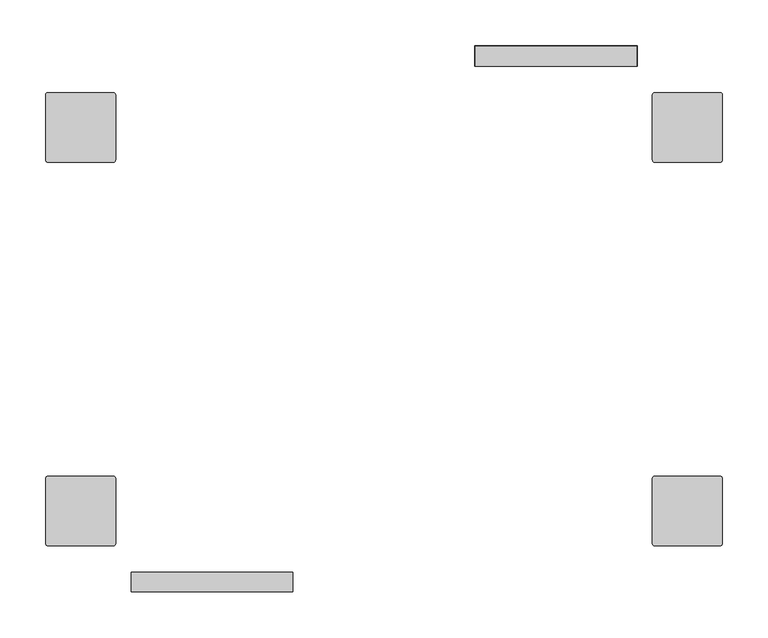
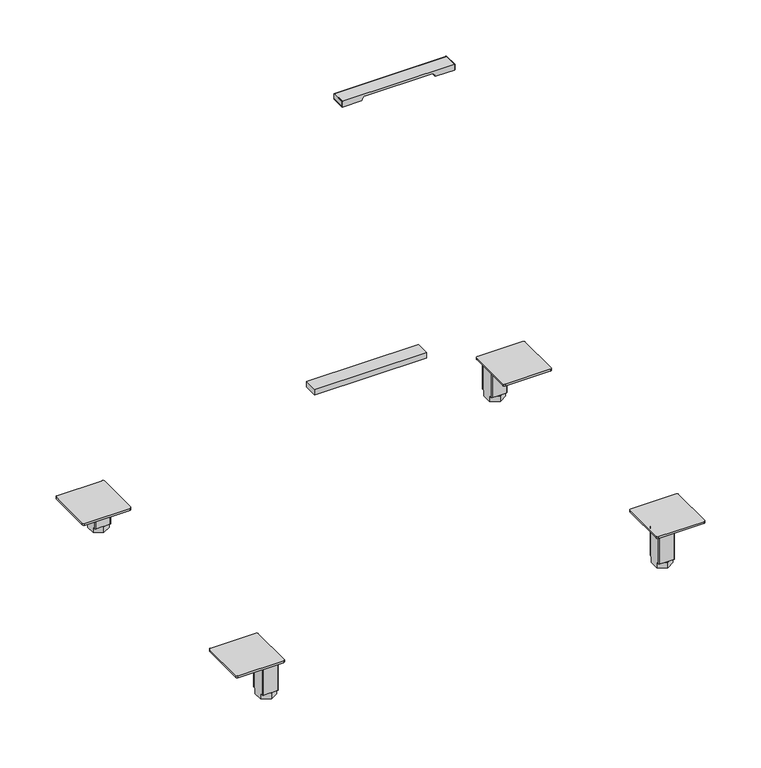
"""IFC4 building model written with IfcOpenShell, lengths in millimetres: furniture geometry."""

from ifc_helpers import new_model, si_unit, frame, origin, place, context, project, spatial, polyline, circle_curve, ellipse_curve, source, transform, mapped, element, save
from ifc_brep_helpers import plane_surface, cylinder_surface, revolved_surface, advanced_brep


def furniture_1a49b02a(model_context):
    return source(origin(), model_context, "Body", "AdvancedBrep", [
        advanced_brep(
        [(742.9422777, 247.6704748, 57.2209895), (745.4822781, 245.1304744, 57.2209895), (745.4822781, 174.0104723, 57.2209895), (742.9422805, 171.4704748, 57.2209895), (671.8222797, 171.4704748, 57.2209895), (669.2822821, 174.0104723, 57.2209895), (669.2822821, 245.1304772, 57.2209895), (671.8222797, 247.6704748, 57.2209895), (699.2542791, 241.3204808, 57.2209895), (677.410276, 241.3204808, 57.2209895), (675.632276, 239.5424808, 57.2209895), (675.632276, 217.6984687, 57.2209895), (677.410276, 215.9204687, 57.2209895), (699.2542791, 215.9204687, 57.2209895), (701.0322791, 217.6984687, 57.2209895), (701.0322791, 239.5424808, 57.2209895), (742.9422777, 247.6704748, 60.2689911), (671.8222797, 247.6704748, 60.2689911), (669.2822821, 245.1304772, 60.2689911), (669.2822821, 174.0104723, 60.2689911), (671.8222797, 171.4704748, 60.2689911), (742.9422805, 171.4704748, 60.2689911), (745.4822781, 174.0104723, 60.2689911), (745.4822781, 245.1304744, 60.2689911), (699.2542791, 241.3204808, 9.146411), (701.0322791, 239.5424808, 9.146411), (701.0322791, 235.952819, 9.146411), (691.7352161, 241.3204808, 9.146411), (701.0322791, 217.6984687, 9.146411), (699.2542791, 215.9204687, 9.146411), (691.7352161, 215.9204687, 9.146411), (701.0322791, 221.2881305, 9.146411), (677.410276, 215.9204687, 9.146411), (675.632276, 217.6984687, 9.146411), (675.632276, 221.2881305, 9.146411), (684.929339, 215.9204687, 9.146411), (675.632276, 239.5424808, 9.146411), (677.410276, 241.3204808, 9.146411), (684.929339, 241.3204808, 9.146411), (675.632276, 235.952819, 9.146411), (675.632276, 235.9528215, 0.0), (675.632276, 221.288128, 0.0), (701.0322791, 221.288128, 0.0), (701.0322791, 235.9528215, 0.0), (688.3322776, 213.9557812, 9.146411), (688.3322776, 243.2851683, 9.146411), (688.3322776, 213.9557812, 0.0), (688.3322776, 243.2851683, 0.0)],
        [
            (0, 1, circle_curve(frame((742.9422777, 245.1304744, 57.2209895), z_axis=(0.0, 0.0, -1.0), x_axis=(-1.0, 0.0, 0.0)), 2.5400004)),
            (1, 2),
            (2, 3, circle_curve(frame((742.9422805, 174.0104723, 57.2209895), z_axis=(0.0, 0.0, -1.0), x_axis=(-1.0, 0.0, 0.0)), 2.5399976)),
            (3, 4),
            (4, 5, circle_curve(frame((671.8222797, 174.0104723, 57.2209895), z_axis=(0.0, 0.0, -1.0), x_axis=(-1.0, 0.0, 0.0)), 2.5399976)),
            (5, 6),
            (6, 7, circle_curve(frame((671.8222797, 245.1304772, 57.2209895), z_axis=(0.0, 0.0, -1.0), x_axis=(-1.0, 0.0, 0.0)), 2.5399976)),
            (7, 0),
            (8, 9),
            (9, 10, circle_curve(frame((677.410276, 239.5424808, 57.2209895), z_axis=(0.0, 0.0, 1.0), x_axis=(-1.0, 0.0, 0.0)), 1.778)),
            (10, 11),
            (11, 12, circle_curve(frame((677.410276, 217.6984687, 57.2209895), z_axis=(0.0, 0.0, 1.0), x_axis=(-1.0, 0.0, 0.0)), 1.778)),
            (12, 13),
            (13, 14, circle_curve(frame((699.2542791, 217.6984687, 57.2209895), z_axis=(0.0, 0.0, 1.0), x_axis=(-1.0, 0.0, 0.0)), 1.778)),
            (14, 15),
            (15, 8, circle_curve(frame((699.2542791, 239.5424808, 57.2209895), z_axis=(0.0, 0.0, 1.0), x_axis=(-1.0, 0.0, 0.0)), 1.778)),
            (16, 17),
            (17, 18, circle_curve(frame((671.8222797, 245.1304772, 60.2689911), z_axis=(0.0, 0.0, 1.0), x_axis=(-1.0, 0.0, 0.0)), 2.5399976)),
            (18, 19),
            (19, 20, circle_curve(frame((671.8222797, 174.0104723, 60.2689911), z_axis=(0.0, 0.0, 1.0), x_axis=(-1.0, 0.0, 0.0)), 2.5399976)),
            (20, 21),
            (21, 22, circle_curve(frame((742.9422805, 174.0104723, 60.2689911), z_axis=(0.0, 0.0, 1.0), x_axis=(-1.0, 0.0, 0.0)), 2.5399976)),
            (22, 23),
            (23, 16, circle_curve(frame((742.9422777, 245.1304744, 60.2689911), z_axis=(0.0, 0.0, 1.0), x_axis=(-1.0, 0.0, 0.0)), 2.5400004)),
            (7, 17),
            (16, 0),
            (6, 18),
            (5, 19),
            (4, 20),
            (3, 21),
            (2, 22),
            (1, 23),
            (24, 25, circle_curve(frame((699.2542791, 239.5424808, 9.146411), z_axis=(0.0, 0.0, -1.0), x_axis=(-1.0, 0.0, 0.0)), 1.778)),
            (25, 26),
            (26, 27),
            (27, 24),
            (28, 29, circle_curve(frame((699.2542791, 217.6984687, 9.146411), z_axis=(0.0, 0.0, -1.0), x_axis=(-1.0, 0.0, 0.0)), 1.778)),
            (29, 30),
            (30, 31),
            (31, 28),
            (32, 33, circle_curve(frame((677.410276, 217.6984687, 9.146411), z_axis=(0.0, 0.0, -1.0), x_axis=(-1.0, 0.0, 0.0)), 1.778)),
            (33, 34),
            (34, 35),
            (35, 32),
            (36, 37, circle_curve(frame((677.410276, 239.5424808, 9.146411), z_axis=(0.0, 0.0, -1.0), x_axis=(-1.0, 0.0, 0.0)), 1.778)),
            (37, 38),
            (38, 39),
            (39, 36),
            (8, 24),
            (27, 38),
            (37, 9),
            (36, 10),
            (39, 40),
            (40, 41),
            (41, 34),
            (33, 11),
            (32, 12),
            (35, 30),
            (29, 13),
            (28, 14),
            (31, 42),
            (42, 43),
            (43, 26),
            (25, 15),
            (35, 44),
            (44, 30),
            (27, 45),
            (45, 38),
            (42, 46),
            (46, 41),
            (40, 47),
            (47, 43),
            (47, 45),
            (46, 44),
        ],
        [
            plane_surface(frame((671.8222797, 247.6704748, 57.2209895), z_axis=(0.0, 0.0, -1.0), x_axis=(1.0, 0.0, 0.0))),
            plane_surface(frame((671.8222797, 247.6704748, 60.2689911), z_axis=(0.0, 0.0, 1.0), x_axis=(-1.0, 0.0, 0.0))),
            plane_surface(frame((742.9422777, 247.6704748, 60.2689911), z_axis=(0.0, 1.0, 0.0), x_axis=(0.0, 0.0, -1.0))),
            cylinder_surface(frame((671.8222797, 245.1304772, 57.2209895), z_axis=(0.0, 0.0, 1.0), x_axis=(-1.0, 0.0, 0.0)), 2.5399976),
            plane_surface(frame((669.2822821, 245.1304772, 60.2689911), z_axis=(-1.0, 0.0, 0.0), x_axis=(0.0, 0.0, -1.0))),
            cylinder_surface(frame((671.8222797, 174.0104723, 57.2209895), z_axis=(0.0, 0.0, 1.0), x_axis=(-1.0, 0.0, 0.0)), 2.5399976),
            plane_surface(frame((671.8222797, 171.4704748, 60.2689911), z_axis=(0.0, -1.0, 0.0), x_axis=(0.0, 0.0, -1.0))),
            cylinder_surface(frame((742.9422805, 174.0104723, 57.2209895), z_axis=(0.0, 0.0, 1.0), x_axis=(-1.0, 0.0, 0.0)), 2.5399976),
            plane_surface(frame((745.4822781, 174.0104723, 60.2689911), z_axis=(1.0, 0.0, 0.0), x_axis=(0.0, 0.0, -1.0))),
            cylinder_surface(frame((742.9422777, 245.1304744, 57.2209895), z_axis=(0.0, 0.0, 1.0), x_axis=(-1.0, 0.0, 0.0)), 2.5400004),
            plane_surface(frame((677.283279, 241.3204808, 9.146411), z_axis=(0.0, 0.0, -1.0), x_axis=(1.0, 0.0, 0.0))),
            plane_surface(frame((699.2542791, 241.3204808, 57.2209895), z_axis=(0.0, 1.0, 0.0), x_axis=(0.0, 0.0, -1.0))),
            cylinder_surface(frame((677.410276, 239.5424808, 9.146411), z_axis=(0.0, 0.0, 1.0), x_axis=(-1.0, 0.0, 0.0)), 1.778),
            plane_surface(frame((675.632276, 239.5424808, 57.2209895), z_axis=(-1.0, 0.0, 0.0), x_axis=(0.0, 0.0, -1.0))),
            cylinder_surface(frame((677.410276, 217.6984687, 9.146411), z_axis=(0.0, 0.0, 1.0), x_axis=(-1.0, 0.0, 0.0)), 1.778),
            plane_surface(frame((677.410276, 215.9204687, 57.2209895), z_axis=(0.0, -1.0, 0.0), x_axis=(0.0, 0.0, -1.0))),
            cylinder_surface(frame((699.2542791, 217.6984687, 9.146411), z_axis=(0.0, 0.0, 1.0), x_axis=(-1.0, 0.0, 0.0)), 1.778),
            plane_surface(frame((701.0322791, 217.6984687, 57.2209895), z_axis=(1.0, 0.0, 0.0), x_axis=(0.0, 0.0, -1.0))),
            cylinder_surface(frame((699.2542791, 239.5424808, 9.146411), z_axis=(0.0, 0.0, 1.0), x_axis=(-1.0, 0.0, 0.0)), 1.778),
            plane_surface(frame((701.0322747, 221.288128, 9.146411), z_axis=(0.0, 0.0, 1.0), x_axis=(0.0, 1.0, 0.0))),
            plane_surface(frame((701.0322747, 221.288128, 0.0), z_axis=(0.0, 0.0, -1.0), x_axis=(0.0, -1.0, 0.0))),
            plane_surface(frame((701.0322747, 235.9528215, 9.146411), z_axis=(0.5000000000000034, 0.8660254037844367, 0.0), x_axis=(0.0, 0.0, -1.0))),
            plane_surface(frame((688.3322776, 243.2851683, 9.146411), z_axis=(-0.4999999999999956, 0.8660254037844412, 0.0), x_axis=(0.0, 0.0, -1.0))),
            plane_surface(frame((675.6322804, 221.288128, 9.146411), z_axis=(-0.5000000000000064, -0.866025403784435, 0.0), x_axis=(0.0, 0.0, -1.0))),
            plane_surface(frame((688.3322776, 213.9557812, 9.146411), z_axis=(0.49999999999999795, -0.8660254037844399, 0.0), x_axis=(0.0, 0.0, -1.0))),
        ],
        [
            (0, [[1, 2, 3, 4, 5, 6, 7, 8], [9, 10, 11, 12, 13, 14, 15, 16]]),
            (1, [[17, 18, 19, 20, 21, 22, 23, 24]]),
            (2, [[-8, 25, -17, 26]]),
            (3, [[-7, 27, -18, -25]]),
            (4, [[-6, 28, -19, -27]]),
            (5, [[-5, 29, -20, -28]]),
            (6, [[-4, 30, -21, -29]]),
            (7, [[-3, 31, -22, -30]]),
            (8, [[-2, 32, -23, -31]]),
            (9, [[-1, -26, -24, -32]]),
            (10, [[33, 34, 35, 36]]),
            (10, [[37, 38, 39, 40]]),
            (10, [[41, 42, 43, 44]]),
            (10, [[45, 46, 47, 48]]),
            (11, [[49, -36, 50, -46, 51, -9]]),
            (12, [[-45, 52, -10, -51]]),
            (13, [[-52, -48, 53, 54, 55, -42, 56, -11]]),
            (14, [[-41, 57, -12, -56]]),
            (15, [[-57, -44, 58, -38, 59, -13]]),
            (16, [[-37, 60, -14, -59]]),
            (17, [[-60, -40, 61, 62, 63, -34, 64, -15]]),
            (18, [[-33, -49, -16, -64]]),
            (19, [[65, 66, -58]]),
            (19, [[67, 68, -50]]),
            (20, [[69, 70, -54, 71, 72, -62]]),
            (21, [[-72, 73, -67, -35, -63]]),
            (22, [[-71, -53, -47, -68, -73]]),
            (23, [[-70, 74, -65, -43, -55]]),
            (24, [[-69, -61, -39, -66, -74]]),
        ],
    ),
        advanced_brep(
        [(8.8875003, 247.6704748, 57.2209895), (80.0074983, 247.6704748, 57.2209895), (82.5474959, 245.1304772, 57.2209895), (82.5474959, 174.0104723, 57.2209895), (80.0074983, 171.4704748, 57.2209895), (8.8874975, 171.4704748, 57.2209895), (6.3474999, 174.0104723, 57.2209895), (6.3474999, 245.1304744, 57.2209895), (52.5754989, 241.3204808, 57.2209895), (50.7974989, 239.5424808, 57.2209895), (50.7974989, 217.6984687, 57.2209895), (52.5754989, 215.9204687, 57.2209895), (74.419502, 215.9204687, 57.2209895), (76.197502, 217.6984687, 57.2209895), (76.197502, 239.5424808, 57.2209895), (74.419502, 241.3204808, 57.2209895), (8.8875003, 247.6704748, 60.2689911), (6.3474999, 245.1304744, 60.2689911), (6.3474999, 174.0104723, 60.2689911), (8.8874975, 171.4704748, 60.2689911), (80.0074983, 171.4704748, 60.2689911), (82.5474959, 174.0104723, 60.2689911), (82.5474959, 245.1304772, 60.2689911), (80.0074983, 247.6704748, 60.2689911), (52.5754989, 241.3204808, 9.146411), (60.0945619, 241.3204808, 9.146411), (50.7974989, 235.952819, 9.146411), (50.7974989, 239.5424808, 9.146411), (50.7974989, 217.6984687, 9.146411), (50.7974989, 221.2881305, 9.146411), (60.0945619, 215.9204687, 9.146411), (52.5754989, 215.9204687, 9.146411), (74.419502, 215.9204687, 9.146411), (66.900439, 215.9204687, 9.146411), (76.197502, 221.2881305, 9.146411), (76.197502, 217.6984687, 9.146411), (76.197502, 239.5424808, 9.146411), (76.197502, 235.952819, 9.146411), (66.900439, 241.3204808, 9.146411), (74.419502, 241.3204808, 9.146411), (76.197502, 221.288128, 0.0), (76.197502, 235.9528215, 0.0), (50.7974989, 235.9528215, 0.0), (50.7974989, 221.288128, 0.0), (63.4975005, 243.2851683, 9.146411), (63.4975005, 213.9557812, 9.146411), (63.4975005, 243.2851683, 0.0), (63.4975005, 213.9557812, 0.0)],
        [
            (0, 1),
            (1, 2, circle_curve(frame((80.0074983, 245.1304772, 57.2209895), z_axis=(0.0, 0.0, -1.0), x_axis=(1.0, 0.0, 0.0)), 2.5399976)),
            (2, 3),
            (3, 4, circle_curve(frame((80.0074983, 174.0104723, 57.2209895), z_axis=(0.0, 0.0, -1.0), x_axis=(1.0, 0.0, 0.0)), 2.5399976)),
            (4, 5),
            (5, 6, circle_curve(frame((8.8874975, 174.0104723, 57.2209895), z_axis=(0.0, 0.0, -1.0), x_axis=(1.0, 0.0, 0.0)), 2.5399976)),
            (6, 7),
            (7, 0, circle_curve(frame((8.8875003, 245.1304744, 57.2209895), z_axis=(0.0, 0.0, -1.0), x_axis=(1.0, 0.0, 0.0)), 2.5400004)),
            (8, 9, circle_curve(frame((52.5754989, 239.5424808, 57.2209895), z_axis=(0.0, 0.0, 1.0), x_axis=(1.0, 0.0, 0.0)), 1.778)),
            (9, 10),
            (10, 11, circle_curve(frame((52.5754989, 217.6984687, 57.2209895), z_axis=(0.0, 0.0, 1.0), x_axis=(1.0, 0.0, 0.0)), 1.778)),
            (11, 12),
            (12, 13, circle_curve(frame((74.419502, 217.6984687, 57.2209895), z_axis=(0.0, 0.0, 1.0), x_axis=(1.0, 0.0, 0.0)), 1.778)),
            (13, 14),
            (14, 15, circle_curve(frame((74.419502, 239.5424808, 57.2209895), z_axis=(0.0, 0.0, 1.0), x_axis=(1.0, 0.0, 0.0)), 1.778)),
            (15, 8),
            (16, 17, circle_curve(frame((8.8875003, 245.1304744, 60.2689911), z_axis=(0.0, 0.0, 1.0), x_axis=(1.0, 0.0, 0.0)), 2.5400004)),
            (17, 18),
            (18, 19, circle_curve(frame((8.8874975, 174.0104723, 60.2689911), z_axis=(0.0, 0.0, 1.0), x_axis=(1.0, 0.0, 0.0)), 2.5399976)),
            (19, 20),
            (20, 21, circle_curve(frame((80.0074983, 174.0104723, 60.2689911), z_axis=(0.0, 0.0, 1.0), x_axis=(1.0, 0.0, 0.0)), 2.5399976)),
            (21, 22),
            (22, 23, circle_curve(frame((80.0074983, 245.1304772, 60.2689911), z_axis=(0.0, 0.0, 1.0), x_axis=(1.0, 0.0, 0.0)), 2.5399976)),
            (23, 16),
            (0, 16),
            (23, 1),
            (22, 2),
            (21, 3),
            (20, 4),
            (19, 5),
            (18, 6),
            (17, 7),
            (24, 25),
            (25, 26),
            (26, 27),
            (27, 24, circle_curve(frame((52.5754989, 239.5424808, 9.146411), z_axis=(0.0, 0.0, -1.0), x_axis=(1.0, 0.0, 0.0)), 1.778)),
            (28, 29),
            (29, 30),
            (30, 31),
            (31, 28, circle_curve(frame((52.5754989, 217.6984687, 9.146411), z_axis=(0.0, 0.0, -1.0), x_axis=(1.0, 0.0, 0.0)), 1.778)),
            (32, 33),
            (33, 34),
            (34, 35),
            (35, 32, circle_curve(frame((74.419502, 217.6984687, 9.146411), z_axis=(0.0, 0.0, -1.0), x_axis=(1.0, 0.0, 0.0)), 1.778)),
            (36, 37),
            (37, 38),
            (38, 39),
            (39, 36, circle_curve(frame((74.419502, 239.5424808, 9.146411), z_axis=(0.0, 0.0, -1.0), x_axis=(1.0, 0.0, 0.0)), 1.778)),
            (15, 39),
            (38, 25),
            (24, 8),
            (14, 36),
            (13, 35),
            (34, 40),
            (40, 41),
            (41, 37),
            (12, 32),
            (11, 31),
            (30, 33),
            (10, 28),
            (9, 27),
            (26, 42),
            (42, 43),
            (43, 29),
            (38, 44),
            (44, 25),
            (30, 45),
            (45, 33),
            (42, 46),
            (46, 41),
            (40, 47),
            (47, 43),
            (44, 46),
            (45, 47),
        ],
        [
            plane_surface(frame((80.0074983, 247.6704748, 57.2209895), z_axis=(0.0, 0.0, -1.0), x_axis=(-1.0, 0.0, 0.0))),
            plane_surface(frame((80.0074983, 247.6704748, 60.2689911), z_axis=(0.0, 0.0, 1.0), x_axis=(1.0, 0.0, 0.0))),
            plane_surface(frame((8.8875003, 247.6704748, 60.2689911), z_axis=(0.0, 1.0, 0.0), x_axis=(0.0, 0.0, -1.0))),
            cylinder_surface(frame((80.0074983, 245.1304772, 57.2209895), z_axis=(0.0, 0.0, 1.0), x_axis=(1.0, 0.0, 0.0)), 2.5399976),
            plane_surface(frame((82.5474959, 245.1304772, 60.2689911), z_axis=(1.0, 0.0, 0.0), x_axis=(0.0, 0.0, -1.0))),
            cylinder_surface(frame((80.0074983, 174.0104723, 57.2209895), z_axis=(0.0, 0.0, 1.0), x_axis=(1.0, 0.0, 0.0)), 2.5399976),
            plane_surface(frame((80.0074983, 171.4704748, 60.2689911), z_axis=(0.0, -1.0, 0.0), x_axis=(0.0, 0.0, -1.0))),
            cylinder_surface(frame((8.8874975, 174.0104723, 57.2209895), z_axis=(0.0, 0.0, 1.0), x_axis=(1.0, 0.0, 0.0)), 2.5399976),
            plane_surface(frame((6.3474999, 174.0104723, 60.2689911), z_axis=(-1.0, 0.0, 0.0), x_axis=(0.0, 0.0, -1.0))),
            cylinder_surface(frame((8.8875003, 245.1304744, 57.2209895), z_axis=(0.0, 0.0, 1.0), x_axis=(1.0, 0.0, 0.0)), 2.5400004),
            plane_surface(frame((74.546499, 241.3204808, 9.146411), z_axis=(0.0, 0.0, -1.0), x_axis=(-1.0, 0.0, 0.0))),
            plane_surface(frame((52.5754989, 241.3204808, 57.2209895), z_axis=(0.0, 1.0, 0.0), x_axis=(0.0, 0.0, -1.0))),
            cylinder_surface(frame((74.419502, 239.5424808, 9.146411), z_axis=(0.0, 0.0, 1.0), x_axis=(1.0, 0.0, 0.0)), 1.778),
            plane_surface(frame((76.197502, 239.5424808, 57.2209895), z_axis=(1.0, 0.0, 0.0), x_axis=(0.0, 0.0, -1.0))),
            cylinder_surface(frame((74.419502, 217.6984687, 9.146411), z_axis=(0.0, 0.0, 1.0), x_axis=(1.0, 0.0, 0.0)), 1.778),
            plane_surface(frame((74.419502, 215.9204687, 57.2209895), z_axis=(0.0, -1.0, 0.0), x_axis=(0.0, 0.0, -1.0))),
            cylinder_surface(frame((52.5754989, 217.6984687, 9.146411), z_axis=(0.0, 0.0, 1.0), x_axis=(1.0, 0.0, 0.0)), 1.778),
            plane_surface(frame((50.7974989, 217.6984687, 57.2209895), z_axis=(-1.0, 0.0, 0.0), x_axis=(0.0, 0.0, -1.0))),
            cylinder_surface(frame((52.5754989, 239.5424808, 9.146411), z_axis=(0.0, 0.0, 1.0), x_axis=(1.0, 0.0, 0.0)), 1.778),
            plane_surface(frame((50.7975033, 221.288128, 9.146411), z_axis=(0.0, 0.0, 1.0), x_axis=(0.0, 1.0, 0.0))),
            plane_surface(frame((50.7975033, 221.288128, 0.0), z_axis=(0.0, 0.0, -1.0), x_axis=(0.0, -1.0, 0.0))),
            plane_surface(frame((50.7975033, 235.9528215, 9.146411), z_axis=(-0.5000000000000034, 0.8660254037844367, 0.0), x_axis=(0.0, 0.0, -1.0))),
            plane_surface(frame((63.4975005, 243.2851683, 9.146411), z_axis=(0.4999999999999956, 0.8660254037844412, 0.0), x_axis=(0.0, 0.0, -1.0))),
            plane_surface(frame((76.1974976, 221.288128, 9.146411), z_axis=(0.5000000000000064, -0.866025403784435, 0.0), x_axis=(0.0, 0.0, -1.0))),
            plane_surface(frame((63.4975005, 213.9557812, 9.146411), z_axis=(-0.49999999999999795, -0.8660254037844399, 0.0), x_axis=(0.0, 0.0, -1.0))),
        ],
        [
            (0, [[1, 2, 3, 4, 5, 6, 7, 8], [9, 10, 11, 12, 13, 14, 15, 16]]),
            (1, [[17, 18, 19, 20, 21, 22, 23, 24]]),
            (2, [[25, -24, 26, -1]]),
            (3, [[-26, -23, 27, -2]]),
            (4, [[-27, -22, 28, -3]]),
            (5, [[-28, -21, 29, -4]]),
            (6, [[-29, -20, 30, -5]]),
            (7, [[-30, -19, 31, -6]]),
            (8, [[-31, -18, 32, -7]]),
            (9, [[-32, -17, -25, -8]]),
            (10, [[33, 34, 35, 36]]),
            (10, [[37, 38, 39, 40]]),
            (10, [[41, 42, 43, 44]]),
            (10, [[45, 46, 47, 48]]),
            (11, [[-16, 49, -47, 50, -33, 51]]),
            (12, [[-49, -15, 52, -48]]),
            (13, [[-14, 53, -43, 54, 55, 56, -45, -52]]),
            (14, [[-53, -13, 57, -44]]),
            (15, [[-12, 58, -39, 59, -41, -57]]),
            (16, [[-58, -11, 60, -40]]),
            (17, [[-10, 61, -35, 62, 63, 64, -37, -60]]),
            (18, [[-61, -9, -51, -36]]),
            (19, [[-50, 65, 66]]),
            (19, [[-59, 67, 68]]),
            (20, [[-63, 69, 70, -55, 71, 72]]),
            (21, [[-62, -34, -66, 73, -69]]),
            (22, [[-73, -65, -46, -56, -70]]),
            (23, [[-54, -42, -68, 74, -71]]),
            (24, [[-74, -67, -38, -64, -72]]),
        ],
    ),
        advanced_brep(
        [(742.9422777, -247.6490008, 57.2209895), (671.8222797, -247.6490008, 57.2209895), (669.2822821, -245.1090032, 57.2209895), (669.2822821, -173.9889984, 57.2209895), (671.8222797, -171.4490008, 57.2209895), (742.9422805, -171.4490008, 57.2209895), (745.4822781, -173.9889984, 57.2209895), (745.4822781, -245.1090004, 57.2209895), (699.2542791, -241.2990068, 57.2209895), (701.0322791, -239.5210068, 57.2209895), (701.0322791, -217.6769947, 57.2209895), (699.2542791, -215.8989947, 57.2209895), (677.410276, -215.8989947, 57.2209895), (675.632276, -217.6769947, 57.2209895), (675.632276, -239.5210068, 57.2209895), (677.410276, -241.2990068, 57.2209895), (742.9422777, -247.6490008, 60.2689911), (745.4822781, -245.1090004, 60.2689911), (745.4822781, -173.9889984, 60.2689911), (742.9422805, -171.4490008, 60.2689911), (671.8222797, -171.4490008, 60.2689911), (669.2822821, -173.9889984, 60.2689911), (669.2822821, -245.1090032, 60.2689911), (671.8222797, -247.6490008, 60.2689911), (699.2542791, -241.2990068, 9.146411), (691.7352161, -241.2990068, 9.146411), (701.0322791, -235.931345, 9.146411), (701.0322791, -239.5210068, 9.146411), (701.0322791, -217.6769947, 9.146411), (701.0322791, -221.2666565, 9.146411), (691.7352161, -215.8989947, 9.146411), (699.2542791, -215.8989947, 9.146411), (677.410276, -215.8989947, 9.146411), (684.929339, -215.8989947, 9.146411), (675.632276, -221.2666565, 9.146411), (675.632276, -217.6769947, 9.146411), (675.632276, -239.5210068, 9.146411), (675.632276, -235.931345, 9.146411), (684.929339, -241.2990068, 9.146411), (677.410276, -241.2990068, 9.146411), (675.632276, -221.266654, 0.0), (675.632276, -235.9313476, 0.0), (701.0322791, -235.9313476, 0.0), (701.0322791, -221.266654, 0.0), (688.3322776, -243.2636943, 9.146411), (688.3322776, -213.9343072, 9.146411), (688.3322776, -243.2636943, 0.0), (688.3322776, -213.9343072, 0.0)],
        [
            (0, 1),
            (1, 2, circle_curve(frame((671.8222797, -245.1090032, 57.2209895), z_axis=(0.0, 0.0, -1.0), x_axis=(-1.0, 0.0, 0.0)), 2.5399976)),
            (2, 3),
            (3, 4, circle_curve(frame((671.8222797, -173.9889984, 57.2209895), z_axis=(0.0, 0.0, -1.0), x_axis=(-1.0, 0.0, 0.0)), 2.5399976)),
            (4, 5),
            (5, 6, circle_curve(frame((742.9422805, -173.9889984, 57.2209895), z_axis=(0.0, 0.0, -1.0), x_axis=(-1.0, 0.0, 0.0)), 2.5399976)),
            (6, 7),
            (7, 0, circle_curve(frame((742.9422777, -245.1090004, 57.2209895), z_axis=(0.0, 0.0, -1.0), x_axis=(-1.0, 0.0, 0.0)), 2.5400004)),
            (8, 9, circle_curve(frame((699.2542791, -239.5210068, 57.2209895), z_axis=(0.0, 0.0, 1.0), x_axis=(-1.0, 0.0, 0.0)), 1.778)),
            (9, 10),
            (10, 11, circle_curve(frame((699.2542791, -217.6769947, 57.2209895), z_axis=(0.0, 0.0, 1.0), x_axis=(-1.0, 0.0, 0.0)), 1.778)),
            (11, 12),
            (12, 13, circle_curve(frame((677.410276, -217.6769947, 57.2209895), z_axis=(0.0, 0.0, 1.0), x_axis=(-1.0, 0.0, 0.0)), 1.778)),
            (13, 14),
            (14, 15, circle_curve(frame((677.410276, -239.5210068, 57.2209895), z_axis=(0.0, 0.0, 1.0), x_axis=(-1.0, 0.0, 0.0)), 1.778)),
            (15, 8),
            (16, 17, circle_curve(frame((742.9422777, -245.1090004, 60.2689911), z_axis=(0.0, 0.0, 1.0), x_axis=(-1.0, 0.0, 0.0)), 2.5400004)),
            (17, 18),
            (18, 19, circle_curve(frame((742.9422805, -173.9889984, 60.2689911), z_axis=(0.0, 0.0, 1.0), x_axis=(-1.0, 0.0, 0.0)), 2.5399976)),
            (19, 20),
            (20, 21, circle_curve(frame((671.8222797, -173.9889984, 60.2689911), z_axis=(0.0, 0.0, 1.0), x_axis=(-1.0, 0.0, 0.0)), 2.5399976)),
            (21, 22),
            (22, 23, circle_curve(frame((671.8222797, -245.1090032, 60.2689911), z_axis=(0.0, 0.0, 1.0), x_axis=(-1.0, 0.0, 0.0)), 2.5399976)),
            (23, 16),
            (0, 16),
            (23, 1),
            (22, 2),
            (21, 3),
            (20, 4),
            (19, 5),
            (18, 6),
            (17, 7),
            (24, 25),
            (25, 26),
            (26, 27),
            (27, 24, circle_curve(frame((699.2542791, -239.5210068, 9.146411), z_axis=(0.0, 0.0, -1.0), x_axis=(-1.0, 0.0, 0.0)), 1.778)),
            (28, 29),
            (29, 30),
            (30, 31),
            (31, 28, circle_curve(frame((699.2542791, -217.6769947, 9.146411), z_axis=(0.0, 0.0, -1.0), x_axis=(-1.0, 0.0, 0.0)), 1.778)),
            (32, 33),
            (33, 34),
            (34, 35),
            (35, 32, circle_curve(frame((677.410276, -217.6769947, 9.146411), z_axis=(0.0, 0.0, -1.0), x_axis=(-1.0, 0.0, 0.0)), 1.778)),
            (36, 37),
            (37, 38),
            (38, 39),
            (39, 36, circle_curve(frame((677.410276, -239.5210068, 9.146411), z_axis=(0.0, 0.0, -1.0), x_axis=(-1.0, 0.0, 0.0)), 1.778)),
            (15, 39),
            (38, 25),
            (24, 8),
            (14, 36),
            (13, 35),
            (34, 40),
            (40, 41),
            (41, 37),
            (12, 32),
            (11, 31),
            (30, 33),
            (10, 28),
            (9, 27),
            (26, 42),
            (42, 43),
            (43, 29),
            (38, 44),
            (44, 25),
            (30, 45),
            (45, 33),
            (42, 46),
            (46, 41),
            (40, 47),
            (47, 43),
            (44, 46),
            (45, 47),
        ],
        [
            plane_surface(frame((671.8222797, -247.6490008, 57.2209895), z_axis=(0.0, 0.0, -1.0), x_axis=(1.0, 0.0, 0.0))),
            plane_surface(frame((671.8222797, -247.6490008, 60.2689911), z_axis=(0.0, 0.0, 1.0), x_axis=(-1.0, 0.0, 0.0))),
            plane_surface(frame((742.9422777, -247.6490008, 60.2689911), z_axis=(0.0, -1.0, 0.0), x_axis=(0.0, 0.0, -1.0))),
            cylinder_surface(frame((671.8222797, -245.1090032, 57.2209895), z_axis=(0.0, 0.0, 1.0), x_axis=(-1.0, 0.0, 0.0)), 2.5399976),
            plane_surface(frame((669.2822821, -245.1090032, 60.2689911), z_axis=(-1.0, 0.0, 0.0), x_axis=(0.0, 0.0, -1.0))),
            cylinder_surface(frame((671.8222797, -173.9889984, 57.2209895), z_axis=(0.0, 0.0, 1.0), x_axis=(-1.0, 0.0, 0.0)), 2.5399976),
            plane_surface(frame((671.8222797, -171.4490008, 60.2689911), z_axis=(0.0, 1.0, 0.0), x_axis=(0.0, 0.0, -1.0))),
            cylinder_surface(frame((742.9422805, -173.9889984, 57.2209895), z_axis=(0.0, 0.0, 1.0), x_axis=(-1.0, 0.0, 0.0)), 2.5399976),
            plane_surface(frame((745.4822781, -173.9889984, 60.2689911), z_axis=(1.0, 0.0, 0.0), x_axis=(0.0, 0.0, -1.0))),
            cylinder_surface(frame((742.9422777, -245.1090004, 57.2209895), z_axis=(0.0, 0.0, 1.0), x_axis=(-1.0, 0.0, 0.0)), 2.5400004),
            plane_surface(frame((677.283279, -241.2990068, 9.146411), z_axis=(0.0, 0.0, -1.0), x_axis=(1.0, 0.0, 0.0))),
            plane_surface(frame((699.2542791, -241.2990068, 57.2209895), z_axis=(0.0, -1.0, 0.0), x_axis=(0.0, 0.0, -1.0))),
            cylinder_surface(frame((677.410276, -239.5210068, 9.146411), z_axis=(0.0, 0.0, 1.0), x_axis=(-1.0, 0.0, 0.0)), 1.778),
            plane_surface(frame((675.632276, -239.5210068, 57.2209895), z_axis=(-1.0, 0.0, 0.0), x_axis=(0.0, 0.0, -1.0))),
            cylinder_surface(frame((677.410276, -217.6769947, 9.146411), z_axis=(0.0, 0.0, 1.0), x_axis=(-1.0, 0.0, 0.0)), 1.778),
            plane_surface(frame((677.410276, -215.8989947, 57.2209895), z_axis=(0.0, 1.0, 0.0), x_axis=(0.0, 0.0, -1.0))),
            cylinder_surface(frame((699.2542791, -217.6769947, 9.146411), z_axis=(0.0, 0.0, 1.0), x_axis=(-1.0, 0.0, 0.0)), 1.778),
            plane_surface(frame((701.0322791, -217.6769947, 57.2209895), z_axis=(1.0, 0.0, 0.0), x_axis=(0.0, 0.0, -1.0))),
            cylinder_surface(frame((699.2542791, -239.5210068, 9.146411), z_axis=(0.0, 0.0, 1.0), x_axis=(-1.0, 0.0, 0.0)), 1.778),
            plane_surface(frame((701.0322747, -221.266654, 9.146411), z_axis=(0.0, 0.0, 1.0), x_axis=(0.0, -1.0, 0.0))),
            plane_surface(frame((701.0322747, -221.266654, 0.0), z_axis=(0.0, 0.0, -1.0), x_axis=(0.0, 1.0, 0.0))),
            plane_surface(frame((701.0322747, -235.9313476, 9.146411), z_axis=(0.5000000000000034, -0.8660254037844367, 0.0), x_axis=(0.0, 0.0, -1.0))),
            plane_surface(frame((688.3322776, -243.2636943, 9.146411), z_axis=(-0.4999999999999956, -0.8660254037844412, 0.0), x_axis=(0.0, 0.0, -1.0))),
            plane_surface(frame((675.6322804, -221.266654, 9.146411), z_axis=(-0.5000000000000064, 0.866025403784435, 0.0), x_axis=(0.0, 0.0, -1.0))),
            plane_surface(frame((688.3322776, -213.9343072, 9.146411), z_axis=(0.49999999999999795, 0.8660254037844399, 0.0), x_axis=(0.0, 0.0, -1.0))),
        ],
        [
            (0, [[1, 2, 3, 4, 5, 6, 7, 8], [9, 10, 11, 12, 13, 14, 15, 16]]),
            (1, [[17, 18, 19, 20, 21, 22, 23, 24]]),
            (2, [[25, -24, 26, -1]]),
            (3, [[-26, -23, 27, -2]]),
            (4, [[-27, -22, 28, -3]]),
            (5, [[-28, -21, 29, -4]]),
            (6, [[-29, -20, 30, -5]]),
            (7, [[-30, -19, 31, -6]]),
            (8, [[-31, -18, 32, -7]]),
            (9, [[-32, -17, -25, -8]]),
            (10, [[33, 34, 35, 36]]),
            (10, [[37, 38, 39, 40]]),
            (10, [[41, 42, 43, 44]]),
            (10, [[45, 46, 47, 48]]),
            (11, [[-16, 49, -47, 50, -33, 51]]),
            (12, [[-49, -15, 52, -48]]),
            (13, [[-14, 53, -43, 54, 55, 56, -45, -52]]),
            (14, [[-53, -13, 57, -44]]),
            (15, [[-12, 58, -39, 59, -41, -57]]),
            (16, [[-58, -11, 60, -40]]),
            (17, [[-10, 61, -35, 62, 63, 64, -37, -60]]),
            (18, [[-61, -9, -51, -36]]),
            (19, [[-50, 65, 66]]),
            (19, [[-59, 67, 68]]),
            (20, [[-63, 69, 70, -55, 71, 72]]),
            (21, [[-62, -34, -66, 73, -69]]),
            (22, [[-73, -65, -46, -56, -70]]),
            (23, [[-54, -42, -68, 74, -71]]),
            (24, [[-74, -67, -38, -64, -72]]),
        ],
    ),
        advanced_brep(
        [(8.8875003, -247.6490008, 57.2209895), (6.3474999, -245.1090004, 57.2209895), (6.3474999, -173.9889984, 57.2209895), (8.8874975, -171.4490008, 57.2209895), (80.0074983, -171.4490008, 57.2209895), (82.5474959, -173.9889984, 57.2209895), (82.5474959, -245.1090032, 57.2209895), (80.0074983, -247.6490008, 57.2209895), (52.5754989, -241.2990068, 57.2209895), (74.419502, -241.2990068, 57.2209895), (76.197502, -239.5210068, 57.2209895), (76.197502, -217.6769947, 57.2209895), (74.419502, -215.8989947, 57.2209895), (52.5754989, -215.8989947, 57.2209895), (50.7974989, -217.6769947, 57.2209895), (50.7974989, -239.5210068, 57.2209895), (8.8875003, -247.6490008, 60.2689911), (80.0074983, -247.6490008, 60.2689911), (82.5474959, -245.1090032, 60.2689911), (82.5474959, -173.9889984, 60.2689911), (80.0074983, -171.4490008, 60.2689911), (8.8874975, -171.4490008, 60.2689911), (6.3474999, -173.9889984, 60.2689911), (6.3474999, -245.1090004, 60.2689911), (52.5754989, -241.2990068, 9.146411), (50.7974989, -239.5210068, 9.146411), (50.7974989, -235.931345, 9.146411), (60.0945619, -241.2990068, 9.146411), (50.7974989, -217.6769947, 9.146411), (52.5754989, -215.8989947, 9.146411), (60.0945619, -215.8989947, 9.146411), (50.7974989, -221.2666565, 9.146411), (74.419502, -215.8989947, 9.146411), (76.197502, -217.6769947, 9.146411), (76.197502, -221.2666565, 9.146411), (66.900439, -215.8989947, 9.146411), (76.197502, -239.5210068, 9.146411), (74.419502, -241.2990068, 9.146411), (66.900439, -241.2990068, 9.146411), (76.197502, -235.931345, 9.146411), (76.197502, -235.9313476, 0.0), (76.197502, -221.266654, 0.0), (50.7974989, -221.266654, 0.0), (50.7974989, -235.9313476, 0.0), (63.4975005, -213.9343072, 9.146411), (63.4975005, -243.2636943, 9.146411), (63.4975005, -213.9343072, 0.0), (63.4975005, -243.2636943, 0.0)],
        [
            (0, 1, circle_curve(frame((8.8875003, -245.1090004, 57.2209895), z_axis=(0.0, 0.0, -1.0), x_axis=(1.0, 0.0, 0.0)), 2.5400004)),
            (1, 2),
            (2, 3, circle_curve(frame((8.8874975, -173.9889984, 57.2209895), z_axis=(0.0, 0.0, -1.0), x_axis=(1.0, 0.0, 0.0)), 2.5399976)),
            (3, 4),
            (4, 5, circle_curve(frame((80.0074983, -173.9889984, 57.2209895), z_axis=(0.0, 0.0, -1.0), x_axis=(1.0, 0.0, 0.0)), 2.5399976)),
            (5, 6),
            (6, 7, circle_curve(frame((80.0074983, -245.1090032, 57.2209895), z_axis=(0.0, 0.0, -1.0), x_axis=(1.0, 0.0, 0.0)), 2.5399976)),
            (7, 0),
            (8, 9),
            (9, 10, circle_curve(frame((74.419502, -239.5210068, 57.2209895), z_axis=(0.0, 0.0, 1.0), x_axis=(1.0, 0.0, 0.0)), 1.778)),
            (10, 11),
            (11, 12, circle_curve(frame((74.419502, -217.6769947, 57.2209895), z_axis=(0.0, 0.0, 1.0), x_axis=(1.0, 0.0, 0.0)), 1.778)),
            (12, 13),
            (13, 14, circle_curve(frame((52.5754989, -217.6769947, 57.2209895), z_axis=(0.0, 0.0, 1.0), x_axis=(1.0, 0.0, 0.0)), 1.778)),
            (14, 15),
            (15, 8, circle_curve(frame((52.5754989, -239.5210068, 57.2209895), z_axis=(0.0, 0.0, 1.0), x_axis=(1.0, 0.0, 0.0)), 1.778)),
            (16, 17),
            (17, 18, circle_curve(frame((80.0074983, -245.1090032, 60.2689911), z_axis=(0.0, 0.0, 1.0), x_axis=(1.0, 0.0, 0.0)), 2.5399976)),
            (18, 19),
            (19, 20, circle_curve(frame((80.0074983, -173.9889984, 60.2689911), z_axis=(0.0, 0.0, 1.0), x_axis=(1.0, 0.0, 0.0)), 2.5399976)),
            (20, 21),
            (21, 22, circle_curve(frame((8.8874975, -173.9889984, 60.2689911), z_axis=(0.0, 0.0, 1.0), x_axis=(1.0, 0.0, 0.0)), 2.5399976)),
            (22, 23),
            (23, 16, circle_curve(frame((8.8875003, -245.1090004, 60.2689911), z_axis=(0.0, 0.0, 1.0), x_axis=(1.0, 0.0, 0.0)), 2.5400004)),
            (7, 17),
            (16, 0),
            (6, 18),
            (5, 19),
            (4, 20),
            (3, 21),
            (2, 22),
            (1, 23),
            (24, 25, circle_curve(frame((52.5754989, -239.5210068, 9.146411), z_axis=(0.0, 0.0, -1.0), x_axis=(1.0, 0.0, 0.0)), 1.778)),
            (25, 26),
            (26, 27),
            (27, 24),
            (28, 29, circle_curve(frame((52.5754989, -217.6769947, 9.146411), z_axis=(0.0, 0.0, -1.0), x_axis=(1.0, 0.0, 0.0)), 1.778)),
            (29, 30),
            (30, 31),
            (31, 28),
            (32, 33, circle_curve(frame((74.419502, -217.6769947, 9.146411), z_axis=(0.0, 0.0, -1.0), x_axis=(1.0, 0.0, 0.0)), 1.778)),
            (33, 34),
            (34, 35),
            (35, 32),
            (36, 37, circle_curve(frame((74.419502, -239.5210068, 9.146411), z_axis=(0.0, 0.0, -1.0), x_axis=(1.0, 0.0, 0.0)), 1.778)),
            (37, 38),
            (38, 39),
            (39, 36),
            (8, 24),
            (27, 38),
            (37, 9),
            (36, 10),
            (39, 40),
            (40, 41),
            (41, 34),
            (33, 11),
            (32, 12),
            (35, 30),
            (29, 13),
            (28, 14),
            (31, 42),
            (42, 43),
            (43, 26),
            (25, 15),
            (35, 44),
            (44, 30),
            (27, 45),
            (45, 38),
            (42, 46),
            (46, 41),
            (40, 47),
            (47, 43),
            (47, 45),
            (46, 44),
        ],
        [
            plane_surface(frame((80.0074983, -247.6490008, 57.2209895), z_axis=(0.0, 0.0, -1.0), x_axis=(-1.0, 0.0, 0.0))),
            plane_surface(frame((80.0074983, -247.6490008, 60.2689911), z_axis=(0.0, 0.0, 1.0), x_axis=(1.0, 0.0, 0.0))),
            plane_surface(frame((8.8875003, -247.6490008, 60.2689911), z_axis=(0.0, -1.0, 0.0), x_axis=(0.0, 0.0, -1.0))),
            cylinder_surface(frame((80.0074983, -245.1090032, 57.2209895), z_axis=(0.0, 0.0, 1.0), x_axis=(1.0, 0.0, 0.0)), 2.5399976),
            plane_surface(frame((82.5474959, -245.1090032, 60.2689911), z_axis=(1.0, 0.0, 0.0), x_axis=(0.0, 0.0, -1.0))),
            cylinder_surface(frame((80.0074983, -173.9889984, 57.2209895), z_axis=(0.0, 0.0, 1.0), x_axis=(1.0, 0.0, 0.0)), 2.5399976),
            plane_surface(frame((80.0074983, -171.4490008, 60.2689911), z_axis=(0.0, 1.0, 0.0), x_axis=(0.0, 0.0, -1.0))),
            cylinder_surface(frame((8.8874975, -173.9889984, 57.2209895), z_axis=(0.0, 0.0, 1.0), x_axis=(1.0, 0.0, 0.0)), 2.5399976),
            plane_surface(frame((6.3474999, -173.9889984, 60.2689911), z_axis=(-1.0, 0.0, 0.0), x_axis=(0.0, 0.0, -1.0))),
            cylinder_surface(frame((8.8875003, -245.1090004, 57.2209895), z_axis=(0.0, 0.0, 1.0), x_axis=(1.0, 0.0, 0.0)), 2.5400004),
            plane_surface(frame((74.546499, -241.2990068, 9.146411), z_axis=(0.0, 0.0, -1.0), x_axis=(-1.0, 0.0, 0.0))),
            plane_surface(frame((52.5754989, -241.2990068, 57.2209895), z_axis=(0.0, -1.0, 0.0), x_axis=(0.0, 0.0, -1.0))),
            cylinder_surface(frame((74.419502, -239.5210068, 9.146411), z_axis=(0.0, 0.0, 1.0), x_axis=(1.0, 0.0, 0.0)), 1.778),
            plane_surface(frame((76.197502, -239.5210068, 57.2209895), z_axis=(1.0, 0.0, 0.0), x_axis=(0.0, 0.0, -1.0))),
            cylinder_surface(frame((74.419502, -217.6769947, 9.146411), z_axis=(0.0, 0.0, 1.0), x_axis=(1.0, 0.0, 0.0)), 1.778),
            plane_surface(frame((74.419502, -215.8989947, 57.2209895), z_axis=(0.0, 1.0, 0.0), x_axis=(0.0, 0.0, -1.0))),
            cylinder_surface(frame((52.5754989, -217.6769947, 9.146411), z_axis=(0.0, 0.0, 1.0), x_axis=(1.0, 0.0, 0.0)), 1.778),
            plane_surface(frame((50.7974989, -217.6769947, 57.2209895), z_axis=(-1.0, 0.0, 0.0), x_axis=(0.0, 0.0, -1.0))),
            cylinder_surface(frame((52.5754989, -239.5210068, 9.146411), z_axis=(0.0, 0.0, 1.0), x_axis=(1.0, 0.0, 0.0)), 1.778),
            plane_surface(frame((50.7975033, -221.266654, 9.146411), z_axis=(0.0, 0.0, 1.0), x_axis=(0.0, -1.0, 0.0))),
            plane_surface(frame((50.7975033, -221.266654, 0.0), z_axis=(0.0, 0.0, -1.0), x_axis=(0.0, 1.0, 0.0))),
            plane_surface(frame((50.7975033, -235.9313476, 9.146411), z_axis=(-0.5000000000000034, -0.8660254037844367, 0.0), x_axis=(0.0, 0.0, -1.0))),
            plane_surface(frame((63.4975005, -243.2636943, 9.146411), z_axis=(0.4999999999999956, -0.8660254037844412, 0.0), x_axis=(0.0, 0.0, -1.0))),
            plane_surface(frame((76.1974976, -221.266654, 9.146411), z_axis=(0.5000000000000064, 0.866025403784435, 0.0), x_axis=(0.0, 0.0, -1.0))),
            plane_surface(frame((63.4975005, -213.9343072, 9.146411), z_axis=(-0.49999999999999795, 0.8660254037844399, 0.0), x_axis=(0.0, 0.0, -1.0))),
        ],
        [
            (0, [[1, 2, 3, 4, 5, 6, 7, 8], [9, 10, 11, 12, 13, 14, 15, 16]]),
            (1, [[17, 18, 19, 20, 21, 22, 23, 24]]),
            (2, [[-8, 25, -17, 26]]),
            (3, [[-7, 27, -18, -25]]),
            (4, [[-6, 28, -19, -27]]),
            (5, [[-5, 29, -20, -28]]),
            (6, [[-4, 30, -21, -29]]),
            (7, [[-3, 31, -22, -30]]),
            (8, [[-2, 32, -23, -31]]),
            (9, [[-1, -26, -24, -32]]),
            (10, [[33, 34, 35, 36]]),
            (10, [[37, 38, 39, 40]]),
            (10, [[41, 42, 43, 44]]),
            (10, [[45, 46, 47, 48]]),
            (11, [[49, -36, 50, -46, 51, -9]]),
            (12, [[-45, 52, -10, -51]]),
            (13, [[-52, -48, 53, 54, 55, -42, 56, -11]]),
            (14, [[-41, 57, -12, -56]]),
            (15, [[-57, -44, 58, -38, 59, -13]]),
            (16, [[-37, 60, -14, -59]]),
            (17, [[-60, -40, 61, 62, 63, -34, 64, -15]]),
            (18, [[-33, -49, -16, -64]]),
            (19, [[65, 66, -58]]),
            (19, [[67, 68, -50]]),
            (20, [[69, 70, -54, 71, 72, -62]]),
            (21, [[-72, 73, -67, -35, -63]]),
            (22, [[-71, -53, -47, -68, -73]]),
            (23, [[-70, 74, -65, -43, -55]]),
            (24, [[-69, -61, -39, -66, -74]]),
        ],
    ),
        advanced_brep(
        [(475.6975188, 276.4790179, 527.0591806), (475.6975188, 297.9420247, 527.0591806), (652.0607572, 297.9420247, 527.0591806), (652.0607572, 276.4790179, 527.0591806), (622.3653588, 276.4790179, 527.0591806), (622.3721802, 292.3939808, 527.0591806), (505.3895065, 292.3939808, 527.0591806), (505.3929172, 276.4790179, 527.0591806), (652.0607572, 276.4790179, 536.5841806), (652.0607572, 297.9420247, 536.5841806), (475.6975188, 297.9420247, 536.5841806), (475.6975188, 276.4790179, 536.5841806), (506.1848711, 276.4790179, 527.7699741), (512.4949425, 276.4790179, 533.4091528), (615.2633335, 276.4790179, 533.4091528), (621.5734049, 276.4790179, 527.7699741), (512.4949425, 292.3939808, 533.4091528), (506.1848711, 292.3939808, 527.7699741), (621.5734049, 292.3939808, 527.7699741), (615.2633335, 292.3939808, 533.4091528)],
        [
            (0, 1),
            (1, 2),
            (2, 3),
            (3, 4),
            (4, 5),
            (5, 6),
            (6, 7),
            (7, 0),
            (8, 9),
            (9, 10),
            (10, 11),
            (11, 8),
            (11, 0),
            (7, 12, circle_curve(frame((505.3895065, 276.4790179, 527.8595683), z_axis=(0.0, -1.0, 0.0), x_axis=(0.0, 0.0, -1.0)), 0.8003949)),
            (12, 13, circle_curve(frame((512.4949425, 276.4790179, 527.0591734), z_axis=(0.0, 1.0, 0.0), x_axis=(0.0, 0.0, -1.0)), 6.3499794)),
            (13, 14),
            (14, 15, circle_curve(frame((615.2633335, 276.4790179, 527.0591734), z_axis=(0.0, 1.0, 0.0), x_axis=(0.0, 0.0, -1.0)), 6.3499794)),
            (15, 4, circle_curve(frame((622.3687695, 276.4790179, 527.8595683), z_axis=(0.0, -1.0, 0.0), x_axis=(0.0, 0.0, -1.0)), 0.8003949)),
            (3, 8),
            (10, 1),
            (9, 2),
            (16, 17, circle_curve(frame((512.4949425, 292.3939808, 527.0591734), z_axis=(0.0, -1.0, 0.0), x_axis=(0.0, 0.0, -1.0)), 6.3499794)),
            (17, 6, circle_curve(frame((505.3895065, 292.3939808, 527.8595683), z_axis=(0.0, 1.0, 0.0), x_axis=(0.0, 0.0, -1.0)), 0.8003949)),
            (5, 18, circle_curve(frame((622.3687695, 292.3939808, 527.8595683), z_axis=(0.0, 1.0, 0.0), x_axis=(0.0, 0.0, -1.0)), 0.8003949)),
            (18, 19, circle_curve(frame((615.2633335, 292.3939808, 527.0591734), z_axis=(0.0, -1.0, 0.0), x_axis=(0.0, 0.0, -1.0)), 6.3499794)),
            (19, 16),
            (16, 13),
            (12, 17),
            (15, 18),
            (14, 19),
        ],
        [
            plane_surface(frame((367.4291321, 276.4790179, 527.0591806), z_axis=(0.0, 0.0, -1.0), x_axis=(-1.0, 0.0, 0.0))),
            plane_surface(frame((367.4291321, 276.4790179, 536.5841806), z_axis=(0.0, 0.0, 1.0), x_axis=(1.0, 0.0, 0.0))),
            plane_surface(frame((652.0607572, 276.4790179, 527.0591806), z_axis=(0.0, -1.0, 0.0), x_axis=(0.0, 0.0, 1.0))),
            plane_surface(frame((475.6975188, 276.4790179, 527.0591806), z_axis=(-1.0, 0.0, 0.0), x_axis=(0.0, 0.0, 1.0))),
            plane_surface(frame((475.6975188, 297.9420247, 527.0591806), z_axis=(0.0, 1.0, 0.0), x_axis=(0.0, 0.0, 1.0))),
            plane_surface(frame((652.0607572, 297.9420247, 527.0591806), z_axis=(1.0, 0.0, 0.0), x_axis=(0.0, 0.0, 1.0))),
            plane_surface(frame((563.879138, 292.3939808, 531.8216806), z_axis=(0.0, -1.0, 0.0), x_axis=(-1.0, 0.0, 0.0))),
            revolved_surface(polyline([(512.4949425, 276.4790179, 520.7091939999999), (512.4949425, 292.3939808, 520.7091939999999)]), (512.4949425, 276.4790179, 527.0591734), (0.0, -1.0, 0.0)),
            cylinder_surface(frame((505.3895065, 276.4790179, 527.8595683), z_axis=(0.0, 1.0, 0.0), x_axis=(0.0, 0.0, -1.0)), 0.8003949),
            cylinder_surface(frame((622.3687695, 276.4790179, 527.8595683), z_axis=(0.0, 1.0, 0.0), x_axis=(0.0, 0.0, -1.0)), 0.8003949),
            revolved_surface(polyline([(615.2633335, 276.4790179, 520.7091939999999), (615.2633335, 292.3939808, 520.7091939999999)]), (615.2633335, 276.4790179, 527.0591734), (0.0, -1.0, 0.0)),
            plane_surface(frame((615.2633335, 276.4790179, 533.4091528), z_axis=(0.0, 0.0, -1.0), x_axis=(0.0, 1.0, 0.0))),
        ],
        [
            (0, [[1, 2, 3, 4, 5, 6, 7, 8]]),
            (1, [[9, 10, 11, 12]]),
            (2, [[-12, 13, -8, 14, 15, 16, 17, 18, -4, 19]]),
            (3, [[-1, -13, -11, 20]]),
            (4, [[-2, -20, -10, 21]]),
            (5, [[-3, -21, -9, -19]]),
            (6, [[22, 23, -6, 24, 25, 26]]),
            (7, [[-22, 27, -15, 28]]),
            (8, [[-23, -28, -14, -7]]),
            (9, [[-24, -5, -18, 29]]),
            (10, [[-25, -29, -17, 30]]),
            (11, [[-26, -30, -16, -27]]),
        ],
    ),
        advanced_brep(
        [(652.0607572, 276.4790179, 527.0591625), (652.8227383, 276.4790179, 527.8211254), (652.8227383, 276.4790179, 535.8169014), (652.0607572, 276.4790179, 536.578937), (652.0607572, 297.9420247, 527.0591625), (652.8227383, 298.7040058, 527.8211254), (652.8227383, 298.7040058, 535.8169014), (652.0607572, 297.9420247, 536.578937), (475.6975188, 297.9420247, 527.0591625), (474.9355377, 298.7040058, 527.8211254), (474.9355377, 298.7040058, 535.8169014), (475.6975188, 297.9420247, 536.578937), (475.6975188, 276.4790179, 527.0591625), (475.6975188, 276.4790179, 536.578937), (474.9355377, 276.4790179, 535.8169014), (474.9355377, 276.4790179, 527.8211254)],
        [
            (0, 1, circle_curve(frame((652.0607754, 276.4790179, 527.8211254), z_axis=(0.0, -1.0, 0.0), x_axis=(-1.0, 0.0, 0.0)), 0.7619629)),
            (1, 2),
            (2, 3, circle_curve(frame((652.0607027, 276.4790179, 535.8169014), z_axis=(0.0, -1.0, 0.0), x_axis=(-1.0, 0.0, 0.0)), 0.7620356)),
            (3, 0),
            (0, 4),
            (4, 5, ellipse_curve(frame((652.0607754, 297.9420429, 527.8211254), z_axis=(0.7071067811865503, -0.7071067811865448, 0.0), x_axis=(-0.7071067811865448, -0.7071067811865501, 0.0)), 1.0775783, 0.7619629)),
            (5, 1),
            (5, 6),
            (6, 2),
            (6, 7, ellipse_curve(frame((652.0607027, 297.9419702, 535.8169014), z_axis=(0.7071067811865503, -0.7071067811865448, 0.0), x_axis=(-0.7071067811865448, -0.7071067811865501, 0.0)), 1.0776811, 0.7620356)),
            (7, 3),
            (7, 4),
            (4, 8),
            (8, 9, ellipse_curve(frame((475.6975006, 297.9420429, 527.8211254), z_axis=(0.7071067811865446, 0.7071067811865503, 0.0), x_axis=(0.7071067811865506, -0.7071067811865446, 0.0)), 1.0775783, 0.7619629)),
            (9, 5),
            (9, 10),
            (10, 6),
            (10, 11, ellipse_curve(frame((475.6975733, 297.9419702, 535.8169014), z_axis=(0.7071067811865446, 0.7071067811865503, 0.0), x_axis=(0.7071067811865506, -0.7071067811865446, 0.0)), 1.0776811, 0.7620356)),
            (11, 7),
            (11, 8),
            (12, 13),
            (13, 14, circle_curve(frame((475.6975733, 276.4790179, 535.8169014), z_axis=(0.0, -1.0, 0.0), x_axis=(1.0, 0.0, 0.0)), 0.7620356)),
            (14, 15),
            (15, 12, circle_curve(frame((475.6975006, 276.4790179, 527.8211254), z_axis=(0.0, -1.0, 0.0), x_axis=(1.0, 0.0, 0.0)), 0.7619629)),
            (8, 12),
            (15, 9),
            (14, 10),
            (13, 11),
        ],
        [
            plane_surface(frame((652.5251352, 276.4790179, 531.8216806), z_axis=(0.0, -1.0, 0.0), x_axis=(0.0, 0.0, 1.0))),
            cylinder_surface(frame((652.0607754, 276.4790179, 527.8211254), z_axis=(0.0, -1.0, 0.0), x_axis=(-1.0, 0.0, 0.0)), 0.7619629),
            plane_surface(frame((652.8227383, 276.4790179, 527.8211254), z_axis=(1.0, 0.0, 0.0), x_axis=(0.0, 1.0, 0.0))),
            cylinder_surface(frame((652.0607027, 276.4790179, 535.8169014), z_axis=(0.0, -1.0, 0.0), x_axis=(-1.0, 0.0, 0.0)), 0.7620356),
            plane_surface(frame((652.0607572, 276.4790179, 536.578937), z_axis=(-1.0, 0.0, 0.0), x_axis=(0.0, 1.0, 0.0))),
            cylinder_surface(frame((652.5251352, 297.9420429, 527.8211254), z_axis=(1.0, 0.0, 0.0), x_axis=(0.0, -1.0, 0.0)), 0.7619629),
            plane_surface(frame((652.8227383, 298.7040058, 527.8211254), z_axis=(0.0, 1.0, 0.0), x_axis=(-1.0, 0.0, 0.0))),
            cylinder_surface(frame((652.5251352, 297.9419702, 535.8169014), z_axis=(1.0, 0.0, 0.0), x_axis=(0.0, -1.0, 0.0)), 0.7620356),
            plane_surface(frame((652.0607572, 297.9420247, 536.578937), z_axis=(0.0, -1.0, 0.0), x_axis=(-1.0, 0.0, 0.0))),
            plane_surface(frame((475.2331408, 276.4790179, 531.8216806), z_axis=(0.0, -1.0, 0.0), x_axis=(0.0, 0.0, 1.0))),
            cylinder_surface(frame((475.6975006, 298.4064027, 527.8211254), z_axis=(0.0, 1.0, 0.0), x_axis=(1.0, 0.0, 0.0)), 0.7619629),
            plane_surface(frame((474.9355377, 298.7040058, 527.8211254), z_axis=(-1.0, 0.0, 0.0), x_axis=(0.0, -1.0, 0.0))),
            cylinder_surface(frame((475.6975733, 298.4064027, 535.8169014), z_axis=(0.0, 1.0, 0.0), x_axis=(1.0, 0.0, 0.0)), 0.7620356),
            plane_surface(frame((475.6975188, 297.9420247, 536.578937), z_axis=(1.0, 0.0, 0.0), x_axis=(0.0, -1.0, 0.0))),
        ],
        [
            (0, [[1, 2, 3, 4]]),
            (1, [[-1, 5, 6, 7]]),
            (2, [[-2, -7, 8, 9]]),
            (3, [[-3, -9, 10, 11]]),
            (4, [[-4, -11, 12, -5]]),
            (5, [[-6, 13, 14, 15]]),
            (6, [[-8, -15, 16, 17]]),
            (7, [[-10, -17, 18, 19]]),
            (8, [[-12, -19, 20, -13]]),
            (9, [[21, 22, 23, 24]]),
            (10, [[-14, 25, -24, 26]]),
            (11, [[-16, -26, -23, 27]]),
            (12, [[-18, -27, -22, 28]]),
            (13, [[-20, -28, -21, -25]]),
        ],
    ),
        advanced_brep(
        [(276.1372866, -276.4790179, 527.0591806), (276.1372866, -297.9420247, 527.0591806), (99.7740482, -297.9420247, 527.0591806), (99.7740482, -276.4790179, 527.0591806), (129.4694466, -276.4790179, 527.0591806), (129.4626252, -292.3939808, 527.0591806), (246.4452989, -292.3939808, 527.0591806), (246.4418882, -276.4790179, 527.0591806), (99.7740482, -276.4790179, 536.5841806), (99.7740482, -297.9420247, 536.5841806), (276.1372866, -297.9420247, 536.5841806), (276.1372866, -276.4790179, 536.5841806), (245.6499343, -276.4790179, 527.7699741), (239.3398629, -276.4790179, 533.4091528), (136.5714719, -276.4790179, 533.4091528), (130.2614005, -276.4790179, 527.7699741), (239.3398629, -292.3939808, 533.4091528), (245.6499343, -292.3939808, 527.7699741), (130.2614005, -292.3939808, 527.7699741), (136.5714719, -292.3939808, 533.4091528)],
        [
            (0, 1),
            (1, 2),
            (2, 3),
            (3, 4),
            (4, 5),
            (5, 6),
            (6, 7),
            (7, 0),
            (8, 9),
            (9, 10),
            (10, 11),
            (11, 8),
            (11, 0),
            (7, 12, circle_curve(frame((246.4452989, -276.4790179, 527.8595683), z_axis=(0.0, 1.0, 0.0), x_axis=(0.0, 0.0, -1.0)), 0.8003949)),
            (12, 13, circle_curve(frame((239.3398629, -276.4790179, 527.0591734), z_axis=(0.0, -1.0, 0.0), x_axis=(0.0, 0.0, -1.0)), 6.3499794)),
            (13, 14),
            (14, 15, circle_curve(frame((136.5714719, -276.4790179, 527.0591734), z_axis=(0.0, -1.0, 0.0), x_axis=(0.0, 0.0, -1.0)), 6.3499794)),
            (15, 4, circle_curve(frame((129.4660359, -276.4790179, 527.8595683), z_axis=(0.0, 1.0, 0.0), x_axis=(0.0, 0.0, -1.0)), 0.8003949)),
            (3, 8),
            (10, 1),
            (9, 2),
            (16, 17, circle_curve(frame((239.3398629, -292.3939808, 527.0591734), z_axis=(0.0, 1.0, 0.0), x_axis=(0.0, 0.0, -1.0)), 6.3499794)),
            (17, 6, circle_curve(frame((246.4452989, -292.3939808, 527.8595683), z_axis=(0.0, -1.0, 0.0), x_axis=(0.0, 0.0, -1.0)), 0.8003949)),
            (5, 18, circle_curve(frame((129.4660359, -292.3939808, 527.8595683), z_axis=(0.0, -1.0, 0.0), x_axis=(0.0, 0.0, -1.0)), 0.8003949)),
            (18, 19, circle_curve(frame((136.5714719, -292.3939808, 527.0591734), z_axis=(0.0, 1.0, 0.0), x_axis=(0.0, 0.0, -1.0)), 6.3499794)),
            (19, 16),
            (16, 13),
            (12, 17),
            (15, 18),
            (14, 19),
        ],
        [
            plane_surface(frame((384.4056734, -276.4790179, 527.0591806), z_axis=(0.0, 0.0, -1.0), x_axis=(1.0, 0.0, 0.0))),
            plane_surface(frame((384.4056734, -276.4790179, 536.5841806), z_axis=(0.0, 0.0, 1.0), x_axis=(-1.0, 0.0, 0.0))),
            plane_surface(frame((99.7740482, -276.4790179, 527.0591806), z_axis=(0.0, 1.0, 0.0), x_axis=(0.0, 0.0, 1.0))),
            plane_surface(frame((276.1372866, -276.4790179, 527.0591806), z_axis=(1.0, 0.0, 0.0), x_axis=(0.0, 0.0, 1.0))),
            plane_surface(frame((276.1372866, -297.9420247, 527.0591806), z_axis=(0.0, -1.0, 0.0), x_axis=(0.0, 0.0, 1.0))),
            plane_surface(frame((99.7740482, -297.9420247, 527.0591806), z_axis=(-1.0, 0.0, 0.0), x_axis=(0.0, 0.0, 1.0))),
            plane_surface(frame((187.9556674, -292.3939808, 531.8216806), z_axis=(0.0, 1.0, 0.0), x_axis=(1.0, 0.0, 0.0))),
            revolved_surface(polyline([(239.3398629, -276.4790179, 520.7091939999999), (239.3398629, -292.3939808, 520.7091939999999)]), (239.3398629, -276.4790179, 527.0591734), (0.0, 1.0, 0.0)),
            cylinder_surface(frame((246.4452989, -276.4790179, 527.8595683), z_axis=(0.0, -1.0, 0.0), x_axis=(0.0, 0.0, -1.0)), 0.8003949),
            cylinder_surface(frame((129.4660359, -276.4790179, 527.8595683), z_axis=(0.0, -1.0, 0.0), x_axis=(0.0, 0.0, -1.0)), 0.8003949),
            revolved_surface(polyline([(136.5714719, -276.4790179, 520.7091939999999), (136.5714719, -292.3939808, 520.7091939999999)]), (136.5714719, -276.4790179, 527.0591734), (0.0, 1.0, 0.0)),
            plane_surface(frame((136.5714719, -276.4790179, 533.4091528), z_axis=(0.0, 0.0, -1.0), x_axis=(0.0, -1.0, 0.0))),
        ],
        [
            (0, [[1, 2, 3, 4, 5, 6, 7, 8]]),
            (1, [[9, 10, 11, 12]]),
            (2, [[-12, 13, -8, 14, 15, 16, 17, 18, -4, 19]]),
            (3, [[-1, -13, -11, 20]]),
            (4, [[-2, -20, -10, 21]]),
            (5, [[-3, -21, -9, -19]]),
            (6, [[22, 23, -6, 24, 25, 26]]),
            (7, [[-22, 27, -15, 28]]),
            (8, [[-23, -28, -14, -7]]),
            (9, [[-24, -5, -18, 29]]),
            (10, [[-25, -29, -17, 30]]),
            (11, [[-26, -30, -16, -27]]),
        ],
    ),
    ])


if __name__ == "__main__":
    model = new_model("IFC4")
    model_context = context("Model", 3, world=origin())
    ifc_project = project(units=[si_unit("LENGTHUNIT", "METRE", prefix="MILLI")], contexts=[model_context])
    site = spatial("IfcSite", under=ifc_project)
    building = spatial("IfcBuilding", under=site)
    placement = place(None, origin())
    furniture_shape = furniture_1a49b02a(model_context)
    element("IfcFurniture", 1, at=placement, inside=building, context=model_context, shape_type="MappedRepresentation", body=[
        mapped(furniture_shape, transform((0.0, 0.0, 0.0), x_axis=(1.0, 0.0, 0.0), y_axis=(0.0, 1.0, 0.0), z_axis=(0.0, 0.0, 1.0))),
    ])
    save(model, "model.ifc")
